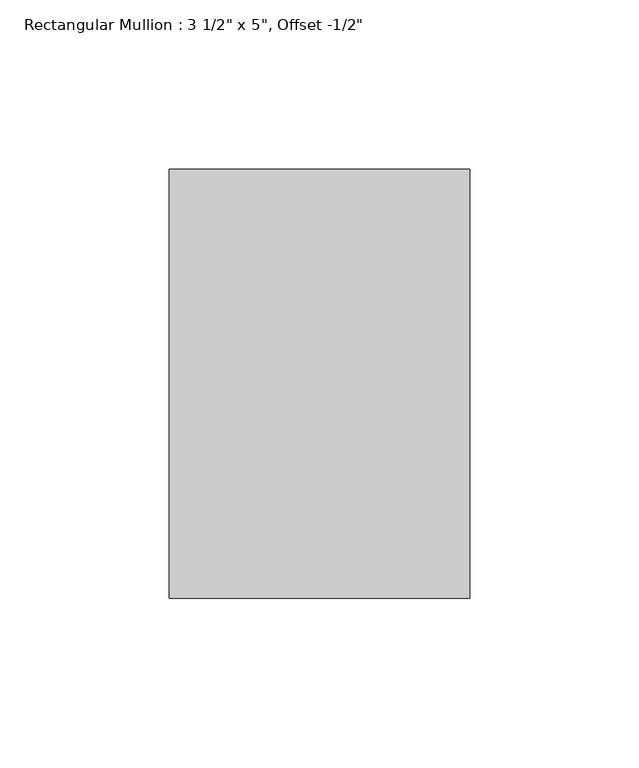
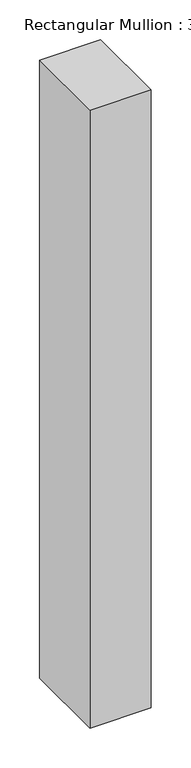
"""IFC4 building model written with IfcOpenShell, lengths in millimetres: member geometry."""

from ifc_helpers import new_model, si_unit, frame, origin, place, context, project, spatial, polyline, outline, extrude, source, transform, mapped, element, save


def member_5db36d17(model_context):
    return source(origin(), model_context, "Body", "SweptSolid", [
        extrude(outline(polyline([(44.45, 76.2), (44.45, -50.8), (-44.45, -50.8), (-44.45, 76.2), (44.45, 76.2)])), frame((0.0, 0.0, -949.325), z_axis=(0.0, 0.0, 1.0), x_axis=(1.0, 0.0, 0.0)), (0.0, 0.0, 1.0), 949.325),
    ])


if __name__ == "__main__":
    model = new_model("IFC4")
    model_context = context("Model", 3, world=origin())
    ifc_project = project(units=[si_unit("LENGTHUNIT", "METRE", prefix="MILLI")], contexts=[model_context])
    site = spatial("IfcSite", under=ifc_project)
    building = spatial("IfcBuilding", under=site)
    placement = place(None, origin())
    member_shape = member_5db36d17(model_context)
    element("IfcMember", 1, ObjectType="Rectangular Mullion : 3 1/2\" x 5\", Offset -1/2\"", at=placement, inside=building, context=model_context, shape_type="MappedRepresentation", body=[
        mapped(member_shape, transform((0.0, 0.0, 0.0), x_axis=(1.0, 0.0, 0.0), y_axis=(0.0, 1.0, 0.0), z_axis=(0.0, 0.0, 1.0))),
    ])
    save(model, "model.ifc")
